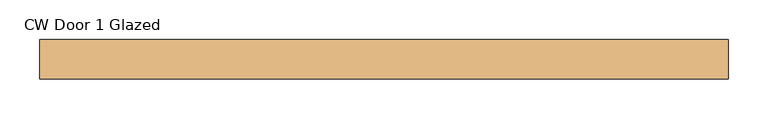
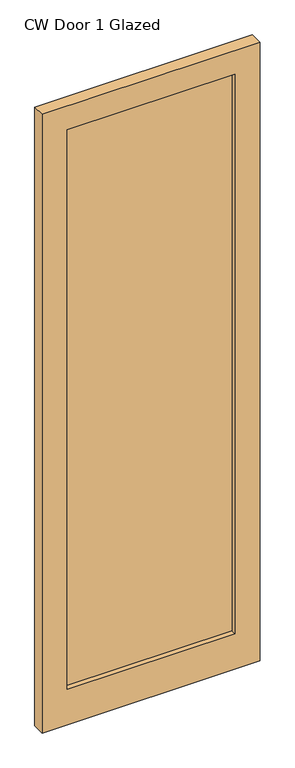
"""IFC4 building model written with IfcOpenShell, lengths in millimetres: door geometry, CW Door 1 Glazed."""

from ifc_helpers import new_model, si_unit, frame, origin, place, context, project, spatial, polyline, outline, extrude, source, transform, mapped, element, save


def cw_door_1_glazed_a999c789(model_context):
    return source(origin(), model_context, "Body", "SweptSolid", [
        extrude(outline(polyline([(-335.3793958, -30.0), (-335.3793958, -20.0), (335.3793958, -20.0), (335.3793958, -30.0), (-335.3793958, -30.0)])), frame((0.0, 0.0, 150.0), z_axis=(0.0, 0.0, 1.0), x_axis=(1.0, 0.0, 0.0)), (0.0, 0.0, 1.0), 2363.0),
        extrude(outline(polyline([(0.0, 435.3793958), (2613.0, 435.3793958), (2613.0, -435.3793958), (0.0, -435.3793958), (0.0, 435.3793958)]), holes=[polyline([(150.0, -335.3793958), (2513.0, -335.3793958), (2513.0, 335.3793958), (150.0, 335.3793958), (150.0, -335.3793958)])]), frame((0.0, -50.0, 0.0), z_axis=(0.0, 1.0, 0.0), x_axis=(0.0, 0.0, 1.0)), (0.0, 0.0, 1.0), 50.0),
    ])


if __name__ == "__main__":
    model = new_model("IFC4")
    model_context = context("Model", 3, world=origin())
    ifc_project = project(units=[si_unit("LENGTHUNIT", "METRE", prefix="MILLI")], contexts=[model_context])
    site = spatial("IfcSite", under=ifc_project)
    building = spatial("IfcBuilding", under=site)
    placement = place(None, origin())
    cw_door_1_glazed_shape = cw_door_1_glazed_a999c789(model_context)
    element("IfcDoor", 1, ObjectType="CW Door 1 Glazed", at=placement, inside=building, context=model_context, shape_type="MappedRepresentation", body=[
        mapped(cw_door_1_glazed_shape, transform((0.0, 0.0, 0.0), x_axis=(1.0, 0.0, 0.0), y_axis=(0.0, 1.0, 0.0), z_axis=(0.0, 0.0, 1.0))),
    ])
    save(model, "model.ifc")
